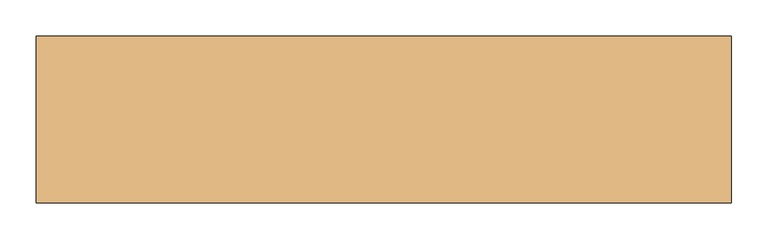
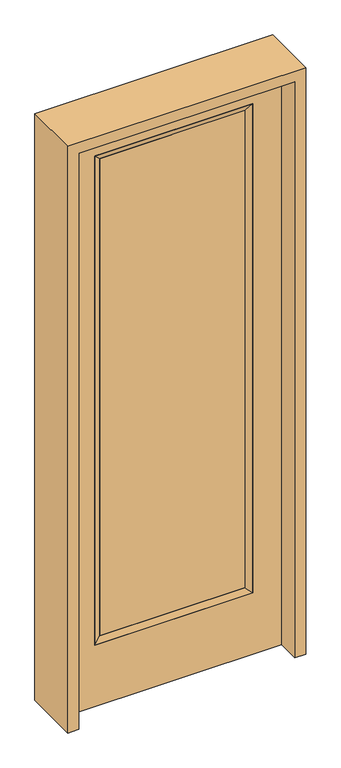
"""IFC4 building model written with IfcOpenShell, lengths in millimetres: door geometry."""

from ifc_helpers import new_model, si_unit, frame, origin, place, context, project, spatial, polyline, outline, extrude, faceted_brep, source, transform, mapped, element, save


def door_d4b7e608(model_context):
    return source(origin(), model_context, "Body", "SolidModel", [
        extrude(outline(polyline([(290.9824, -12.7039749), (-290.9824, -12.7039749), (-290.9824, 14.2875), (290.9824, 14.2875), (290.9824, -12.7039749)])), frame((0.0, 0.0, 285.75), z_axis=(0.0, 0.0, 1.0), x_axis=(1.0, 0.0, 0.0)), (0.0, 0.0, 1.0), 2019.3),
        faceted_brep([(290.9824, 14.2875, 2305.05), (316.3824, 22.225, 2330.45), (316.3824, 22.225, 260.35), (290.9824, 14.2875, 285.75), (316.3824, -22.225, 2330.45), (316.3824, -22.225, 260.35), (-316.3824, 22.225, 260.35), (-290.9824, 14.2875, 285.75), (290.9824, -12.7039749, 2305.05), (290.9824, -12.7039749, 285.75), (-290.9824, -12.7039749, 285.75), (-316.3824, -22.225, 260.35), (-316.3824, 22.225, 2330.45), (-290.9824, 14.2875, 2305.05), (-290.9824, -12.7039749, 2305.05), (-316.3824, -22.225, 2330.45)], [[[0, 1, 2, 3]], [[1, 4, 5, 2]], [[3, 2, 6, 7]], [[8, 0, 3, 9]], [[9, 3, 7, 10]], [[4, 8, 9, 5]], [[5, 9, 10, 11]], [[2, 5, 11, 6]], [[7, 6, 12, 13]], [[10, 7, 13, 14]], [[11, 10, 14, 15]], [[6, 11, 15, 12]], [[13, 12, 1, 0]], [[14, 13, 0, 8]], [[15, 14, 8, 4]], [[12, 15, 4, 1]]]),
        extrude(outline(polyline([(0.0, -431.8), (0.0, 431.8), (2438.4, 431.8), (2438.4, -431.8), (0.0, -431.8)]), holes=[polyline([(260.35, -316.3824), (2330.45, -316.3824), (2330.45, 316.3824), (260.35, 316.3824), (260.35, -316.3824)])]), frame((0.0, -22.225, 0.0), z_axis=(0.0, 1.0, 0.0), x_axis=(0.0, 0.0, 1.0)), (0.0, 0.0, 1.0), 44.45),
        extrude(outline(polyline([(2482.85, -476.25), (0.0, -476.25), (0.0, -431.8), (2438.4, -431.8), (2438.4, 431.8), (0.0, 431.8), (0.0, 476.25), (2482.85, 476.25), (2482.85, -476.25)])), frame((0.0, -114.3, 0.0), z_axis=(0.0, 1.0, 0.0), x_axis=(0.0, 0.0, 1.0)), (0.0, 0.0, 1.0), 228.6),
    ])


if __name__ == "__main__":
    model = new_model("IFC4")
    model_context = context("Model", 3, world=origin())
    ifc_project = project(units=[si_unit("LENGTHUNIT", "METRE", prefix="MILLI")], contexts=[model_context])
    site = spatial("IfcSite", under=ifc_project)
    building = spatial("IfcBuilding", under=site)
    placement = place(None, origin())
    door_shape = door_d4b7e608(model_context)
    element("IfcDoor", 1, at=placement, inside=building, context=model_context, shape_type="MappedRepresentation", body=[
        mapped(door_shape, transform((0.0, 0.0, 0.0), x_axis=(1.0, 0.0, 0.0), y_axis=(0.0, 1.0, 0.0), z_axis=(0.0, 0.0, 1.0))),
    ])
    save(model, "model.ifc")
